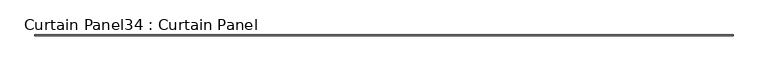
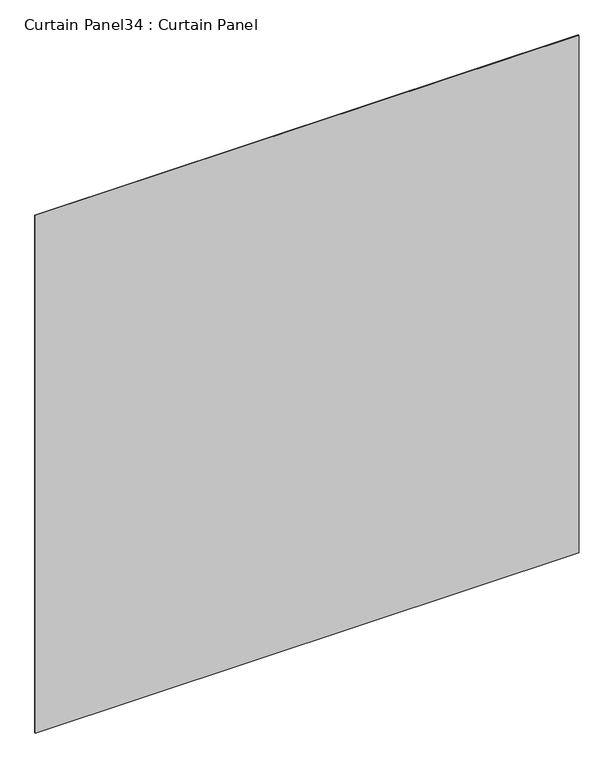
"""IFC4 building model written with IfcOpenShell, lengths in millimetres: plate geometry, Curtain Panel34 : Curtain Panel."""

from ifc_helpers import new_model, si_unit, frame, origin, place, context, project, spatial, polyline, outline, extrude, source, transform, mapped, element, save


def curtain_panel34_curtain_panel_d8b5cee8(model_context):
    return source(origin(), model_context, "Body", "SweptSolid", [
        extrude(outline(polyline([(516865.2217945, 2929.2807893), (510864.4717945, 2929.2807893), (510864.4717945, 2935.6307893), (516865.2217945, 2935.6307893), (516865.2217945, 2929.2807893)])), frame((0.0, 0.0, 5264.916486), z_axis=(0.0, 0.0, 1.0), x_axis=(1.0, 0.0, 0.0)), (0.0, 0.0, 1.0), 6038.862366),
    ])


if __name__ == "__main__":
    model = new_model("IFC4")
    model_context = context("Model", 3, world=origin())
    ifc_project = project(units=[si_unit("LENGTHUNIT", "METRE", prefix="MILLI")], contexts=[model_context])
    site = spatial("IfcSite", under=ifc_project)
    building = spatial("IfcBuilding", under=site)
    placement = place(None, origin())
    curtain_panel34_curtain_panel_shape = curtain_panel34_curtain_panel_d8b5cee8(model_context)
    element("IfcPlate", 1, ObjectType="Curtain Panel34 : Curtain Panel", at=placement, inside=building, context=model_context, shape_type="MappedRepresentation", body=[
        mapped(curtain_panel34_curtain_panel_shape, transform((0.0, 0.0, 0.0), x_axis=(1.0, 0.0, 0.0), y_axis=(0.0, 1.0, 0.0), z_axis=(0.0, 0.0, 1.0))),
    ])
    save(model, "model.ifc")
